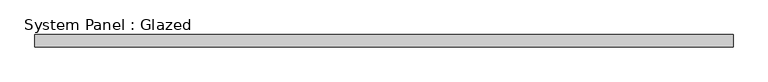
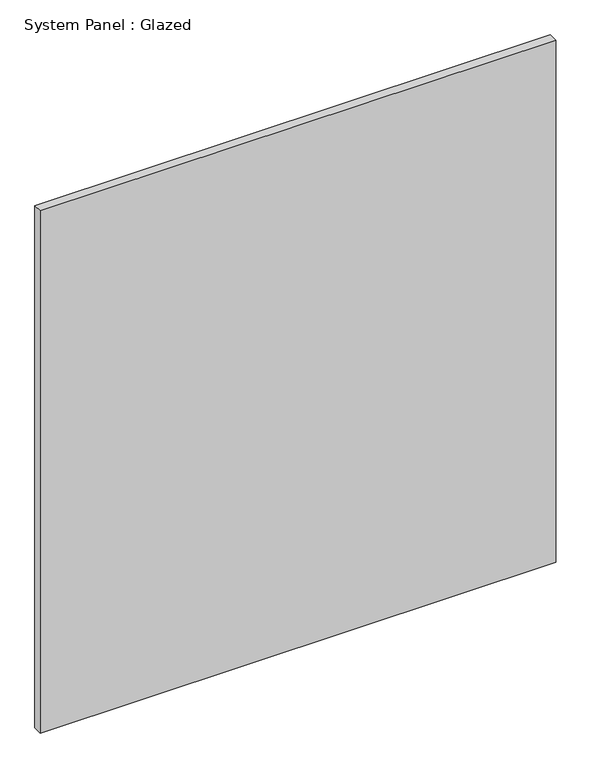
"""IFC4 building model written with IfcOpenShell, lengths in millimetres: plate geometry, System Panel : Glazed."""

from ifc_helpers import new_model, si_unit, origin, origin_with_axes, place, context, project, spatial, polyline, outline, extrude, source, transform, mapped, element, save


def system_panel_glazed_b749dc0c(model_context):
    return source(origin(), model_context, "Body", "SweptSolid", [
        extrude(outline(polyline([(711.8421053, 24.5), (-711.8421053, 24.5), (-711.8421053, 49.5), (711.8421053, 49.5), (711.8421053, 24.5)])), origin_with_axes(), (0.0, 0.0, 1.0), 1525.0),
    ])


if __name__ == "__main__":
    model = new_model("IFC4")
    model_context = context("Model", 3, world=origin())
    ifc_project = project(units=[si_unit("LENGTHUNIT", "METRE", prefix="MILLI")], contexts=[model_context])
    site = spatial("IfcSite", under=ifc_project)
    building = spatial("IfcBuilding", under=site)
    placement = place(None, origin())
    system_panel_glazed_shape = system_panel_glazed_b749dc0c(model_context)
    element("IfcPlate", 1, ObjectType="System Panel : Glazed", at=placement, inside=building, context=model_context, shape_type="MappedRepresentation", body=[
        mapped(system_panel_glazed_shape, transform((0.0, 0.0, 0.0), x_axis=(1.0, 0.0, 0.0), y_axis=(0.0, 1.0, 0.0), z_axis=(0.0, 0.0, 1.0))),
    ])
    save(model, "model.ifc")
